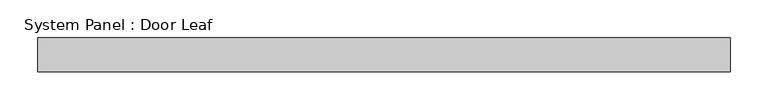
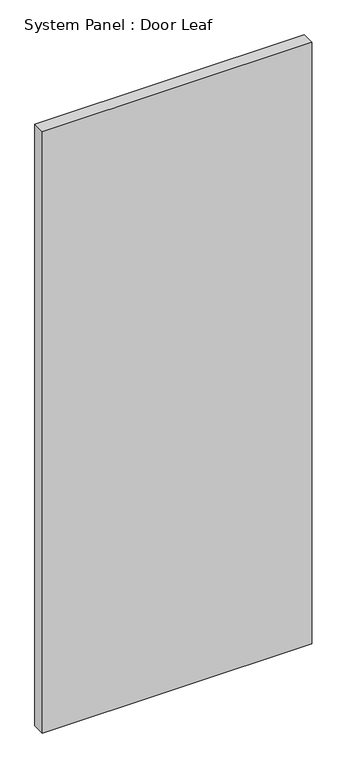
"""IFC4 building model written with IfcOpenShell, lengths in millimetres: plate geometry, System Panel : Door Leaf."""

from ifc_helpers import new_model, si_unit, origin, origin_with_axes, place, context, project, spatial, polyline, outline, extrude, source, transform, mapped, element, save


def system_panel_door_leaf_c87ea26e(model_context):
    return source(origin(), model_context, "Body", "SweptSolid", [
        extrude(outline(polyline([(457.2, 0.0), (-457.2, 0.0), (-457.2, 44.45), (457.2, 44.45), (457.2, 0.0)])), origin_with_axes(), (0.0, 0.0, 1.0), 2159.0),
    ])


if __name__ == "__main__":
    model = new_model("IFC4")
    model_context = context("Model", 3, world=origin())
    ifc_project = project(units=[si_unit("LENGTHUNIT", "METRE", prefix="MILLI")], contexts=[model_context])
    site = spatial("IfcSite", under=ifc_project)
    building = spatial("IfcBuilding", under=site)
    placement = place(None, origin())
    system_panel_door_leaf_shape = system_panel_door_leaf_c87ea26e(model_context)
    element("IfcPlate", 1, ObjectType="System Panel : Door Leaf", at=placement, inside=building, context=model_context, shape_type="MappedRepresentation", body=[
        mapped(system_panel_door_leaf_shape, transform((0.0, 0.0, 0.0), x_axis=(1.0, 0.0, 0.0), y_axis=(0.0, 1.0, 0.0), z_axis=(0.0, 0.0, 1.0))),
    ])
    save(model, "model.ifc")
